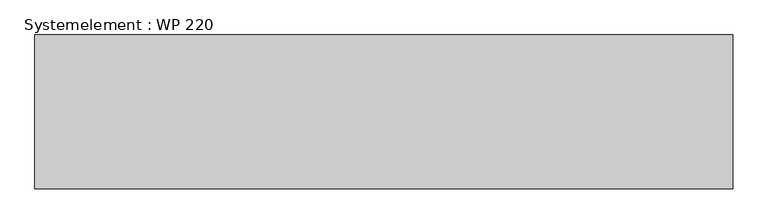
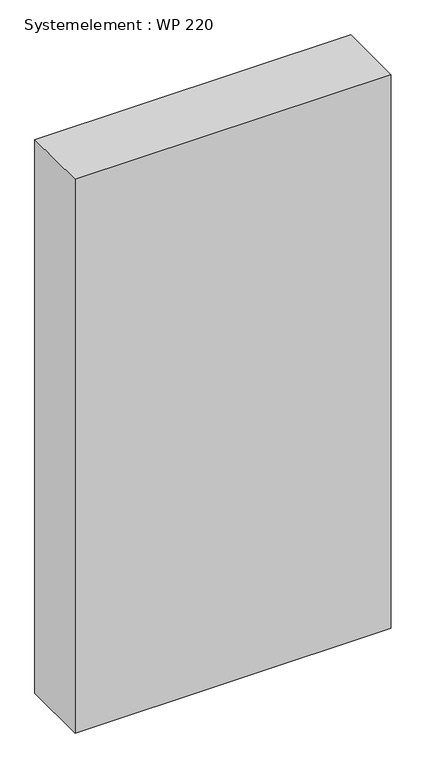
"""IFC4 building model written with IfcOpenShell, lengths in millimetres: plate geometry, Systemelement : WP 220."""

from ifc_helpers import new_model, si_unit, origin, origin_with_axes, place, context, project, spatial, polyline, outline, extrude, source, transform, mapped, element, save


def systemelement_wp_220_fd5f5239(model_context):
    return source(origin(), model_context, "Body", "SweptSolid", [
        extrude(outline(polyline([(500.0, -220.0), (-500.0, -220.0), (-500.0, 0.0), (500.0, 0.0), (500.0, -220.0)])), origin_with_axes(), (0.0, 0.0, 1.0), 1851.6147161),
    ])


if __name__ == "__main__":
    model = new_model("IFC4")
    model_context = context("Model", 3, world=origin())
    ifc_project = project(units=[si_unit("LENGTHUNIT", "METRE", prefix="MILLI")], contexts=[model_context])
    site = spatial("IfcSite", under=ifc_project)
    building = spatial("IfcBuilding", under=site)
    placement = place(None, origin())
    systemelement_wp_220_shape = systemelement_wp_220_fd5f5239(model_context)
    element("IfcPlate", 1, ObjectType="Systemelement : WP 220", at=placement, inside=building, context=model_context, shape_type="MappedRepresentation", body=[
        mapped(systemelement_wp_220_shape, transform((0.0, 0.0, 0.0), x_axis=(1.0, 0.0, 0.0), y_axis=(0.0, 1.0, 0.0), z_axis=(0.0, 0.0, 1.0))),
    ])
    save(model, "model.ifc")
